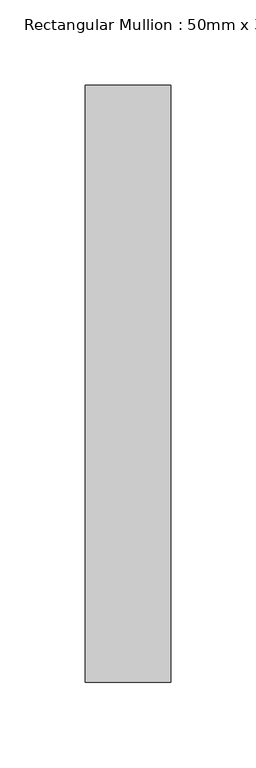
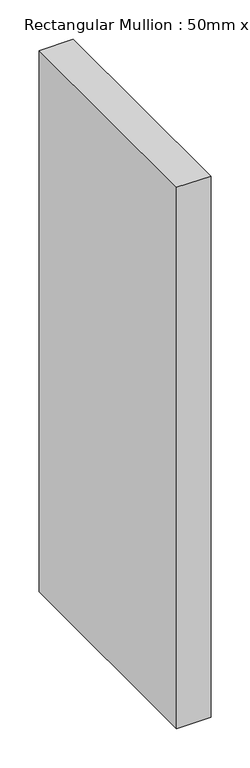
"""IFC4 building model written with IfcOpenShell, lengths in millimetres: member geometry, Rectangular Mullion : 50mm x 350mm."""

from ifc_helpers import new_model, si_unit, frame, origin, place, context, project, spatial, polyline, outline, extrude, source, transform, mapped, element, save


def rectangular_mullion_50mm_x_350mm_ba9d7ea4(model_context):
    return source(origin(), model_context, "Body", "SweptSolid", [
        extrude(outline(polyline([(0.0, 175.0), (0.0, -175.0), (-50.0, -175.0), (-50.0, 175.0), (0.0, 175.0)])), frame((0.0, 0.0, -840.0), z_axis=(0.0, 0.0, 1.0), x_axis=(1.0, 0.0, 0.0)), (0.0, 0.0, 1.0), 840.0),
    ])


if __name__ == "__main__":
    model = new_model("IFC4")
    model_context = context("Model", 3, world=origin())
    ifc_project = project(units=[si_unit("LENGTHUNIT", "METRE", prefix="MILLI")], contexts=[model_context])
    site = spatial("IfcSite", under=ifc_project)
    building = spatial("IfcBuilding", under=site)
    placement = place(None, origin())
    rectangular_mullion_50mm_x_350mm_shape = rectangular_mullion_50mm_x_350mm_ba9d7ea4(model_context)
    element("IfcMember", 1, ObjectType="Rectangular Mullion : 50mm x 350mm", at=placement, inside=building, context=model_context, shape_type="MappedRepresentation", body=[
        mapped(rectangular_mullion_50mm_x_350mm_shape, transform((0.0, 0.0, 0.0), x_axis=(1.0, 0.0, 0.0), y_axis=(0.0, 1.0, 0.0), z_axis=(0.0, 0.0, 1.0))),
    ])
    save(model, "model.ifc")
